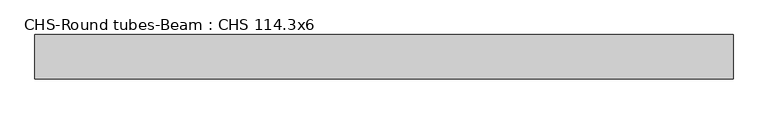
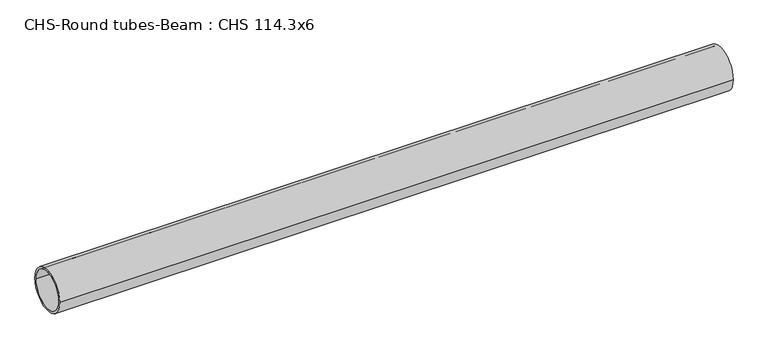
"""IFC4 building model written with IfcOpenShell, lengths in millimetres: beam geometry, CHS-Round tubes-Beam : CHS 114.3x6."""

from ifc_helpers import new_model, si_unit, point, frame, origin, origin_2d, place, context, project, spatial, circle_curve, trimmed, segment, composite_curve, outline, extrude, source, transform, mapped, element, save


def chs_round_tubes_beam_chs_114_3x6_91057ea3(model_context):
    return source(origin(), model_context, "Body", "SweptSolid", [
        extrude(outline(composite_curve([segment(trimmed(circle_curve(origin_2d(), 57.15), [point((57.15, 0.0))], [point((-57.15, 0.0))], False, "CARTESIAN"), True, "CONTINUOUS"), segment(trimmed(circle_curve(origin_2d(), 57.15), [point((-57.15, 0.0))], [point((57.15, 0.0))], False, "CARTESIAN"), True, "CONTINUOUS")], self_intersect=False), holes=[composite_curve([segment(trimmed(circle_curve(origin_2d(), 51.15), [point((51.15, 0.0))], [point((-51.15, 0.0))], True, "CARTESIAN"), True, "CONTINUOUS"), segment(trimmed(circle_curve(origin_2d(), 51.15), [point((-51.15, 0.0))], [point((51.15, 0.0))], True, "CARTESIAN"), True, "CONTINUOUS")], self_intersect=False)]), frame((-890.5064917, 0.0, 0.0), z_axis=(1.0, 0.0, 0.0), x_axis=(0.0, 1.0, 0.0)), (0.0, 0.0, 1.0), 1793.8189549),
    ])


if __name__ == "__main__":
    model = new_model("IFC4")
    model_context = context("Model", 3, world=origin())
    ifc_project = project(units=[si_unit("LENGTHUNIT", "METRE", prefix="MILLI")], contexts=[model_context])
    site = spatial("IfcSite", under=ifc_project)
    building = spatial("IfcBuilding", under=site)
    placement = place(None, origin())
    chs_round_tubes_beam_chs_114_3x6_shape = chs_round_tubes_beam_chs_114_3x6_91057ea3(model_context)
    element("IfcBeam", 1, ObjectType="CHS-Round tubes-Beam : CHS 114.3x6", at=placement, inside=building, context=model_context, shape_type="MappedRepresentation", body=[
        mapped(chs_round_tubes_beam_chs_114_3x6_shape, transform((0.0, 0.0, 0.0), x_axis=(1.0, 0.0, 0.0), y_axis=(0.0, 1.0, 0.0), z_axis=(0.0, 0.0, 1.0))),
    ])
    save(model, "model.ifc")
